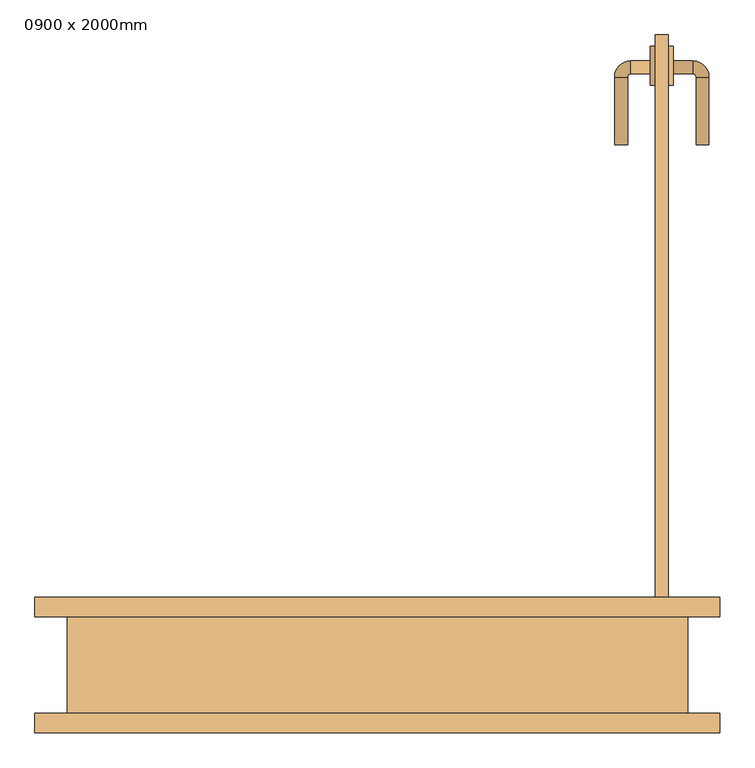
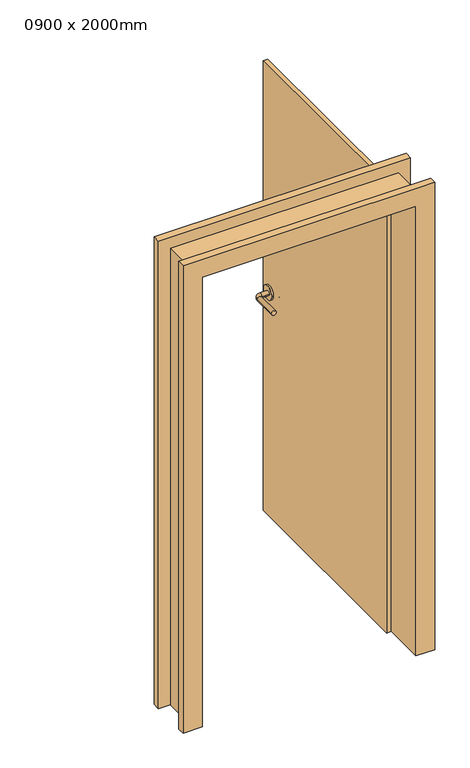
"""IFC4 building model written with IfcOpenShell, lengths in millimetres: door geometry, 0900 x 2000mm."""

from ifc_helpers import new_model, si_unit, point, frame, frame_2d, origin, origin_with_axes, place, context, project, spatial, polyline, circle_curve, ellipse_curve, trimmed, segment, composite_curve, outline, extrude, faceted_brep, source, transform, mapped, element, save
from ifc_brep_helpers import plane_surface, cylinder_surface, revolved_surface, advanced_brep


def door_0900_x_2000mm_a5b5ab9a(model_context):
    return source(origin(), model_context, "Body", "SolidModel", [
        advanced_brep(
        [(422.0, 935.0, 1000.0), (422.0, 915.0, 1000.0), (392.0, 915.0, 1000.0), (392.0, 935.0, 1000.0), (387.0, 910.0, 1000.0), (367.0, 910.0, 1000.0), (367.0, 805.0, 1000.0), (387.0, 805.0, 1000.0)],
        [
            (0, 1, circle_curve(frame((422.0, 925.0, 1000.0), z_axis=(1.0, 0.0, 0.0), x_axis=(0.0, -0.9999999999999988, 0.0)), 10.0)),
            (1, 0, circle_curve(frame((422.0, 925.0, 1000.0), z_axis=(1.0, 0.0, 0.0), x_axis=(0.0, -0.9999999999999988, 0.0)), 10.0)),
            (1, 2),
            (2, 3, circle_curve(frame((392.0, 925.0, 1000.0), z_axis=(1.0, 0.0, 0.0), x_axis=(0.0, -0.9999999999999988, 0.0)), 10.0)),
            (3, 0),
            (3, 2, circle_curve(frame((392.0, 925.0, 1000.0), z_axis=(1.0, 0.0, 0.0), x_axis=(0.0, -0.9999999999999988, 0.0)), 10.0)),
            (4, 5, circle_curve(frame((377.0, 910.0, 1000.0), z_axis=(0.0, 0.9999999999999988, 0.0), x_axis=(0.9999999999999988, 0.0, 0.0)), 10.0)),
            (5, 3, circle_curve(frame((392.0, 910.0, 1000.0), z_axis=(0.0, 0.0, -1.0), x_axis=(0.0, 0.9999999999999988, 0.0)), 25.0)),
            (2, 4, circle_curve(frame((392.0, 910.0, 1000.0), z_axis=(0.0, 0.0, 1.0), x_axis=(0.0, 0.9999999999999988, 0.0)), 5.0)),
            (5, 4, circle_curve(frame((377.0, 910.0, 1000.0), z_axis=(0.0, 0.9999999999999988, 0.0), x_axis=(0.9999999999999988, 0.0, 0.0)), 10.0)),
            (6, 7, circle_curve(frame((377.0, 805.0, 1000.0), z_axis=(0.0, -1.0, 0.0), x_axis=(0.9999999999999988, 0.0, 0.0)), 10.0)),
            (7, 6, circle_curve(frame((377.0, 805.0, 1000.0), z_axis=(0.0, -1.0, 0.0), x_axis=(0.9999999999999988, 0.0, 0.0)), 10.0)),
            (4, 7),
            (6, 5),
        ],
        [
            plane_surface(frame((422.0, 925.0, 1000.0), z_axis=(1.0, 0.0, 0.0), x_axis=(0.0, 0.0, 1.0))),
            cylinder_surface(frame((422.0, 925.0, 1000.0), z_axis=(0.9999999999999988, 0.0, 0.0), x_axis=(0.0, -0.9999999999999988, 0.0)), 10.0),
            revolved_surface(trimmed(ellipse_curve(frame((392.0, 925.0, 1000.0), z_axis=(-0.9999999999999988, 0.0, 0.0), x_axis=(0.0, -0.9999999999999988, 0.0)), 10.0, 10.0), [point((392.0, 935.0, 1000.0))], [point((392.0, 915.0, 1000.0))], True, "CARTESIAN"), (392.0, 910.0, 1000.0), (0.0, 0.0, -1.0)),
            revolved_surface(trimmed(ellipse_curve(frame((392.0, 925.0, 1000.0), z_axis=(-0.9999999999999988, 0.0, 0.0), x_axis=(0.0, -0.9999999999999988, 0.0)), 10.0, 10.0), [point((392.0, 915.0, 1000.0))], [point((392.0, 935.0, 1000.0))], True, "CARTESIAN"), (392.0, 910.0, 1000.0), (0.0, 0.0, -1.0)),
            plane_surface(frame((377.0, 805.0, 1000.0), z_axis=(0.0, -1.0, 0.0), x_axis=(0.0, 0.0, 1.0))),
            cylinder_surface(frame((377.0, 910.0, 1000.0), z_axis=(0.0, 0.9999999999999988, 0.0), x_axis=(0.9999999999999988, 0.0, 0.0)), 10.0),
        ],
        [
            (0, [[1, 2]]),
            (1, [[3, 4, 5, -2]]),
            (1, [[-5, 6, -3, -1]]),
            (2, [[7, 8, -4, 9]]),
            (3, [[10, -9, -6, -8]]),
            (4, [[11, 12]]),
            (5, [[13, -11, 14, -7]]),
            (5, [[-14, -12, -13, -10]]),
        ],
    ),
        extrude(outline(composite_curve([segment(trimmed(circle_curve(frame_2d((927.5, 1000.0)), 30.0), [point((957.5, 1000.0))], [point((897.5, 1000.0))], False, "CARTESIAN"), True, "CONTINUOUS"), segment(trimmed(circle_curve(frame_2d((927.5, 1000.0)), 30.0), [point((897.5, 1000.0))], [point((957.5, 1000.0))], False, "CARTESIAN"), True, "CONTINUOUS")], self_intersect=False)), frame((422.0, 0.0, 0.0), z_axis=(1.0, 0.0, 0.0), x_axis=(0.0, 1.0, 0.0)), (0.0, 0.0, 1.0), 8.0),
        advanced_brep(
        [(458.0, 935.0, 1000.0), (458.0, 915.0, 1000.0), (488.0, 935.0, 1000.0), (488.0, 915.0, 1000.0), (493.0, 910.0, 1000.0), (513.0, 910.0, 1000.0), (513.0, 805.0, 1000.0), (493.0, 805.0, 1000.0)],
        [
            (0, 1, circle_curve(frame((458.0, 925.0, 1000.0), z_axis=(-1.0, 0.0, 0.0), x_axis=(0.0, -0.9999999999999992, 0.0)), 10.0)),
            (1, 0, circle_curve(frame((458.0, 925.0, 1000.0), z_axis=(-1.0, 0.0, 0.0), x_axis=(0.0, -0.9999999999999992, 0.0)), 10.0)),
            (0, 2),
            (2, 3, circle_curve(frame((488.0, 925.0, 1000.0), z_axis=(-1.0, 0.0, 0.0), x_axis=(0.0, -0.9999999999999992, 0.0)), 10.0)),
            (3, 1),
            (3, 2, circle_curve(frame((488.0, 925.0, 1000.0), z_axis=(-1.0, 0.0, 0.0), x_axis=(0.0, -0.9999999999999992, 0.0)), 10.0)),
            (4, 3, circle_curve(frame((488.0, 910.0, 1000.0), z_axis=(0.0, 0.0, 1.0), x_axis=(0.0, 0.9999999999999992, 0.0)), 5.0)),
            (2, 5, circle_curve(frame((488.0, 910.0, 1000.0), z_axis=(0.0, 0.0, -1.0), x_axis=(0.0, 0.9999999999999992, 0.0)), 25.0)),
            (5, 4, circle_curve(frame((503.0, 910.0, 1000.0), z_axis=(0.0, 0.9999999999999992, 0.0), x_axis=(-0.9999999999999992, 0.0, 0.0)), 10.0)),
            (4, 5, circle_curve(frame((503.0, 910.0, 1000.0), z_axis=(0.0, 0.9999999999999992, 0.0), x_axis=(-0.9999999999999992, 0.0, 0.0)), 10.0)),
            (6, 7, circle_curve(frame((503.0, 805.0, 1000.0), z_axis=(0.0, -1.0, 0.0), x_axis=(-0.9999999999999992, 0.0, 0.0)), 10.0)),
            (7, 6, circle_curve(frame((503.0, 805.0, 1000.0), z_axis=(0.0, -1.0, 0.0), x_axis=(-0.9999999999999992, 0.0, 0.0)), 10.0)),
            (5, 6),
            (7, 4),
        ],
        [
            plane_surface(frame((458.0, 925.0, 1000.0), z_axis=(-1.0, 0.0, 0.0), x_axis=(0.0, 0.0, 1.0))),
            cylinder_surface(frame((458.0, 925.0, 1000.0), z_axis=(-0.9999999999999992, 0.0, 0.0), x_axis=(0.0, -0.9999999999999992, 0.0)), 10.0),
            revolved_surface(trimmed(ellipse_curve(frame((488.0, 925.0, 1000.0), z_axis=(-0.9999999999999992, 0.0, 0.0), x_axis=(0.0, -0.9999999999999992, 0.0)), 10.0, 10.0), [point((488.0, 935.0, 1000.0))], [point((488.0, 915.0, 1000.0))], True, "CARTESIAN"), (488.0, 910.0, 1000.0), (0.0, 0.0, -1.0)),
            revolved_surface(trimmed(ellipse_curve(frame((488.0, 925.0, 1000.0), z_axis=(-0.9999999999999992, 0.0, 0.0), x_axis=(0.0, -0.9999999999999992, 0.0)), 10.0, 10.0), [point((488.0, 915.0, 1000.0))], [point((488.0, 935.0, 1000.0))], True, "CARTESIAN"), (488.0, 910.0, 1000.0), (0.0, 0.0, -1.0)),
            plane_surface(frame((503.0, 805.0, 1000.0), z_axis=(0.0, -1.0, 0.0), x_axis=(0.0, 0.0, 1.0))),
            cylinder_surface(frame((503.0, 910.0, 1000.0), z_axis=(0.0, 0.9999999999999992, 0.0), x_axis=(-0.9999999999999992, 0.0, 0.0)), 10.0),
        ],
        [
            (0, [[1, 2]]),
            (1, [[-1, 3, 4, 5]]),
            (1, [[-2, -5, 6, -3]]),
            (2, [[7, -4, 8, 9]]),
            (3, [[-8, -6, -7, 10]]),
            (4, [[11, 12]]),
            (5, [[-9, 13, -12, 14]]),
            (5, [[-10, -14, -11, -13]]),
        ],
    ),
        extrude(outline(composite_curve([segment(trimmed(circle_curve(frame_2d((927.5, 1000.0)), 30.0), [point((957.5, 1000.0))], [point((897.5, 1000.0))], False, "CARTESIAN"), True, "CONTINUOUS"), segment(trimmed(circle_curve(frame_2d((927.5, 1000.0)), 30.0), [point((897.5, 1000.0))], [point((957.5, 1000.0))], False, "CARTESIAN"), True, "CONTINUOUS")], self_intersect=False)), frame((450.0, 0.0, 0.0), z_axis=(1.0, 0.0, 0.0), x_axis=(0.0, 1.0, 0.0)), (0.0, 0.0, 1.0), 8.0),
        faceted_brep([(-480.0, 75.0, 0.0), (-530.0, 75.0, 0.0), (-530.0, 105.0, 0.0), (-450.0, 105.0, 0.0), (-450.0, -105.0, 0.0), (-530.0, -105.0, 0.0), (-530.0, -75.0, 0.0), (-480.0, -75.0, 0.0), (-480.0, 75.0, 2030.0), (480.0, 75.0, 2030.0), (480.0, 75.0, 0.0), (530.0, 75.0, 0.0), (530.0, 75.0, 2080.0), (-530.0, 75.0, 2080.0), (-530.0, 105.0, 2080.0), (530.0, 105.0, 2080.0), (530.0, 105.0, 0.0), (450.0, 105.0, 0.0), (450.0, 105.0, 2000.0), (-450.0, 105.0, 2000.0), (-450.0, -105.0, 2000.0), (450.0, -105.0, 2000.0), (450.0, -105.0, 0.0), (530.0, -105.0, 0.0), (530.0, -105.0, 2080.0), (-530.0, -105.0, 2080.0), (-530.0, -75.0, 2080.0), (530.0, -75.0, 2080.0), (530.0, -75.0, 0.0), (480.0, -75.0, 0.0), (480.0, -75.0, 2030.0), (-480.0, -75.0, 2030.0)], [[[0, 1, 2, 3, 4, 5, 6, 7]], [[1, 0, 8, 9, 10, 11, 12, 13]], [[2, 1, 13, 14]], [[3, 2, 14, 15, 16, 17, 18, 19]], [[4, 3, 19, 20]], [[5, 4, 20, 21, 22, 23, 24, 25]], [[6, 5, 25, 26]], [[7, 6, 26, 27, 28, 29, 30, 31]], [[0, 7, 31, 8]], [[9, 30, 29, 10]], [[10, 29, 28, 23, 22, 17, 16, 11]], [[15, 12, 11, 16]], [[21, 18, 17, 22]], [[27, 24, 23, 28]], [[14, 13, 12, 15]], [[20, 19, 18, 21]], [[26, 25, 24, 27]], [[8, 31, 30, 9]]]),
        extrude(outline(polyline([(450.0, 975.0), (450.0, 75.0), (430.0, 75.0), (430.0, 975.0), (450.0, 975.0)])), origin_with_axes(), (0.0, 0.0, 1.0), 2000.0),
    ])


if __name__ == "__main__":
    model = new_model("IFC4")
    model_context = context("Model", 3, world=origin())
    ifc_project = project(units=[si_unit("LENGTHUNIT", "METRE", prefix="MILLI")], contexts=[model_context])
    site = spatial("IfcSite", under=ifc_project)
    building = spatial("IfcBuilding", under=site)
    placement = place(None, origin())
    door_0900_x_2000mm_shape = door_0900_x_2000mm_a5b5ab9a(model_context)
    element("IfcDoor", 1, ObjectType="0900 x 2000mm", at=placement, inside=building, context=model_context, shape_type="MappedRepresentation", body=[
        mapped(door_0900_x_2000mm_shape, transform((0.0, 0.0, 0.0), x_axis=(1.0, 0.0, 0.0), y_axis=(0.0, 1.0, 0.0), z_axis=(0.0, 0.0, 1.0))),
    ])
    save(model, "model.ifc")
